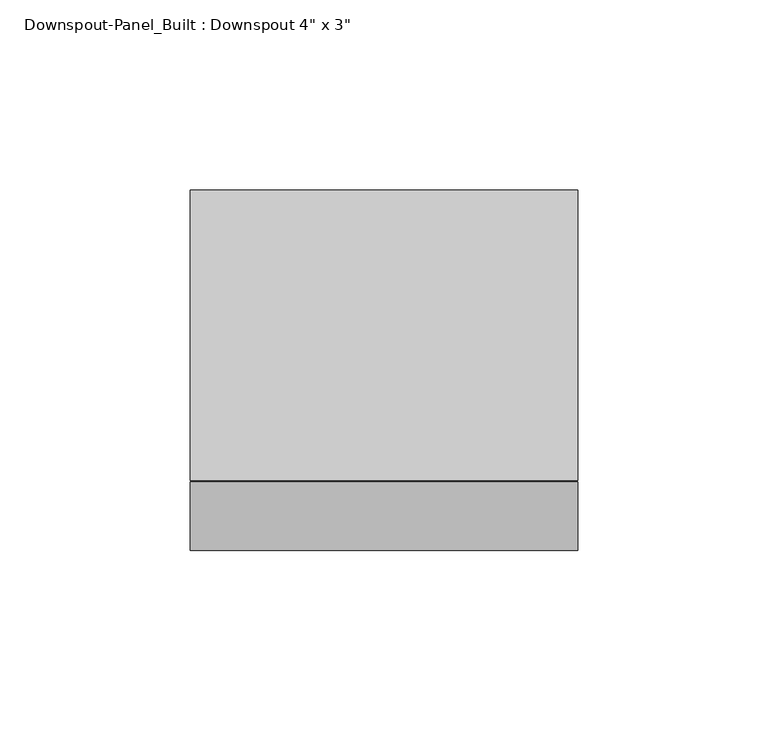
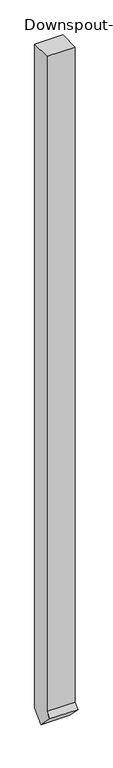
"""IFC4 building model written with IfcOpenShell, lengths in millimetres: flow terminal geometry."""

from ifc_helpers import new_model, si_unit, frame, origin, place, context, project, spatial, polyline, outline, extrude, source, transform, mapped, element, save


def flow_terminal_66bcac9e(model_context):
    return source(origin(), model_context, "Body", "SweptSolid", [
        extrude(outline(polyline([(-76.2, 2568.575), (0.0, 2568.575), (0.0, 40.2242037), (-40.2242037, 0.0), (-94.1057404, 53.8815367), (-76.2, 71.7872771), (-76.2, 2568.575)])), frame((-50.8, 0.0, 0.0), z_axis=(1.0, 0.0, 0.0), x_axis=(0.0, 1.0, 0.0)), (0.0, 0.0, 1.0), 101.6),
    ])


if __name__ == "__main__":
    model = new_model("IFC4")
    model_context = context("Model", 3, world=origin())
    ifc_project = project(units=[si_unit("LENGTHUNIT", "METRE", prefix="MILLI")], contexts=[model_context])
    site = spatial("IfcSite", under=ifc_project)
    building = spatial("IfcBuilding", under=site)
    placement = place(None, origin())
    flow_terminal_shape = flow_terminal_66bcac9e(model_context)
    element("IfcFlowTerminal", 1, ObjectType="Downspout-Panel_Built : Downspout 4\" x 3\"", at=placement, inside=building, context=model_context, shape_type="MappedRepresentation", body=[
        mapped(flow_terminal_shape, transform((0.0, 0.0, 0.0), x_axis=(1.0, 0.0, 0.0), y_axis=(0.0, 1.0, 0.0), z_axis=(0.0, 0.0, 1.0))),
    ])
    save(model, "model.ifc")
